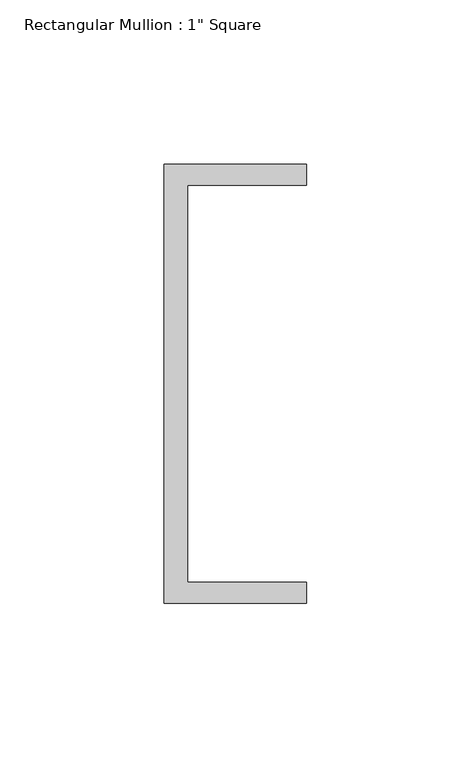
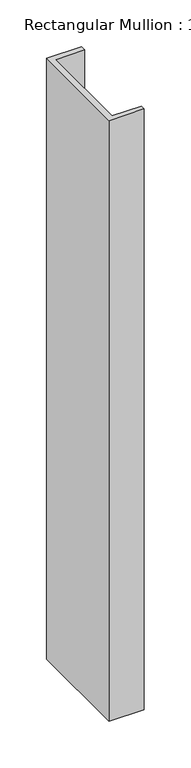
"""IFC4 building model written with IfcOpenShell, lengths in millimetres: member geometry."""

import ifcopenshell
import ifcopenshell.guid

model = None  # the IFC model being written
_history = None  # IfcOwnerHistory: only IFC2X3 demands one
_inside = {}  # id of a spatial element -> (the spatial element, [elements in it])
_under = {}  # id of a project, library or spatial element -> (it, [spatial elements below it])
_declared = {}  # id of a project -> (the project, [libraries it declares])
_typed = {}  # id of a type object -> (the type object, [elements of that type])
_made_of = {}  # id of a material, layer set ... -> (it, [elements and type objects made of it])


def new_model(schema):
    """Start an empty IFC model of exactly this schema.

    Asked for "IFC4X3", IfcOpenShell would pick the latest addendum, in which some entities
    have other attributes; the version numbers below select the first issue.
    IFC2X3 requires an IfcOwnerHistory on every rooted entity: one is made here for all.
    """
    global model, _history
    if schema == "IFC4X3":
        model = ifcopenshell.file(schema_version=(4, 3, 0, 0))
    else:
        model = ifcopenshell.file(schema=schema)
    _inside.clear()
    _under.clear()
    _declared.clear()
    _typed.clear()
    _made_of.clear()
    _history = None
    if model.schema == "IFC2X3":
        org = make("IfcOrganization", Name="unknown")
        user = make(
            "IfcPersonAndOrganization",
            ThePerson=make("IfcPerson", FamilyName="unknown"),
            TheOrganization=org,
        )
        app = make(
            "IfcApplication",
            ApplicationDeveloper=org,
            Version="unknown",
            ApplicationFullName="unknown",
            ApplicationIdentifier="unknown",
        )
        _history = make(
            "IfcOwnerHistory",
            OwningUser=user,
            OwningApplication=app,
            ChangeAction="ADDED",
            CreationDate=0,
        )
    return model


def make(cls, **values):
    """One entity of the class cls with the attributes given. An attribute that is None is left unset."""
    return model.create_entity(
        cls, **{name: value for name, value in values.items() if value is not None}
    )


def rooted(cls, **values):
    """An entity with a GlobalId (a new one), such as an element, a storey or a relation."""
    return make(cls, GlobalId=ifcopenshell.guid.new(), OwnerHistory=_history, **values)


def si_unit(unit_type, name, prefix=None):
    """IfcSIUnit, for example si_unit("LENGTHUNIT", "METRE", prefix="MILLI")."""
    return make("IfcSIUnit", UnitType=unit_type, Prefix=prefix, Name=name)


def assignment(units):
    """IfcUnitAssignment: the units of a project."""
    return None if units is None else make("IfcUnitAssignment", Units=units)


def point(xyz):
    """IfcCartesianPoint."""
    return None if xyz is None else make("IfcCartesianPoint", Coordinates=xyz)


def direction(xyz):
    """IfcDirection."""
    return None if xyz is None else make("IfcDirection", DirectionRatios=xyz)


def frame(location, z_axis=None, x_axis=None):
    """IfcAxis2Placement3D, a coordinate frame: its origin and axes. An axis left out is left unset."""
    return make(
        "IfcAxis2Placement3D",
        Location=point(location),
        Axis=direction(z_axis),
        RefDirection=direction(x_axis),
    )


def origin():
    """The frame at (0, 0, 0) with its axes left unset."""
    return frame((0.0, 0.0, 0.0))


def place(relative_to, where):
    """IfcLocalPlacement: puts the frame where relative to a parent placement (None: the world)."""
    return make(
        "IfcLocalPlacement", PlacementRelTo=relative_to, RelativePlacement=where
    )


def context(
    kind, dimensions, precision=None, world=None, true_north=None, identifier=None
):
    """IfcGeometricRepresentationContext, for example the 3D "Model" context."""
    return make(
        "IfcGeometricRepresentationContext",
        ContextIdentifier=identifier,
        ContextType=kind,
        CoordinateSpaceDimension=dimensions,
        Precision=precision,
        WorldCoordinateSystem=world,
        TrueNorth=true_north,
    )


def project(units=None, contexts=None):
    """IfcProject with its units and contexts."""
    return rooted(
        "IfcProject",
        Name="project",
        RepresentationContexts=contexts,
        UnitsInContext=assignment(units),
    )


def spatial(cls, under=None, at=None, **own):
    """A site, building, storey or space (cls), placed at a placement, below another one or the project."""
    s = rooted(cls, ObjectPlacement=at, **own)
    if under is not None:
        _under.setdefault(under.id(), (under, []))[1].append(s)
    return s


def polyline(points):
    """IfcPolyline through the points."""
    return make("IfcPolyline", Points=[point(p) for p in points])


def outline(outer, holes=None, kind="AREA"):
    """IfcArbitraryClosedProfileDef: a profile drawn as a closed curve; with holes, ...WithVoids."""
    if holes is None:
        return make("IfcArbitraryClosedProfileDef", ProfileType=kind, OuterCurve=outer)
    return make(
        "IfcArbitraryProfileDefWithVoids",
        ProfileType=kind,
        OuterCurve=outer,
        InnerCurves=holes,
    )


def extrude(swept, where, along, depth):
    """IfcExtrudedAreaSolid: the profile swept, set in the frame where, extruded along a direction by depth."""
    return make(
        "IfcExtrudedAreaSolid",
        SweptArea=swept,
        Position=where,
        ExtrudedDirection=direction(along),
        Depth=depth,
    )


def shape(context_of_items, identifier, shape_type, items):
    """IfcShapeRepresentation: the items that make up one representation, for example the "Body"."""
    return make(
        "IfcShapeRepresentation",
        ContextOfItems=context_of_items,
        RepresentationIdentifier=identifier,
        RepresentationType=shape_type,
        Items=items,
    )


def source(mapping_origin, context_of_items, identifier, shape_type, items):
    """IfcRepresentationMap: a shape defined once, which mapped items show again and again."""
    return make(
        "IfcRepresentationMap",
        MappingOrigin=mapping_origin,
        MappedRepresentation=shape(context_of_items, identifier, shape_type, items),
    )


def transform(
    local_origin,
    x_axis=None,
    y_axis=None,
    z_axis=None,
    scale=None,
    scale2=None,
    scale3=None,
    uniform=True,
):
    """IfcCartesianTransformationOperator3D, or its non-uniform kind. x_axis, y_axis, z_axis: its Axis1, 2, 3."""
    if uniform:
        return make(
            "IfcCartesianTransformationOperator3D",
            Axis1=direction(x_axis),
            Axis2=direction(y_axis),
            LocalOrigin=point(local_origin),
            Scale=scale,
            Axis3=direction(z_axis),
        )
    return make(
        "IfcCartesianTransformationOperator3DnonUniform",
        Axis1=direction(x_axis),
        Axis2=direction(y_axis),
        LocalOrigin=point(local_origin),
        Scale=scale,
        Axis3=direction(z_axis),
        Scale2=scale2,
        Scale3=scale3,
    )


def mapped(mapping_source, mapping_target):
    """IfcMappedItem: shows the shape of a source again, moved by a transform."""
    return make(
        "IfcMappedItem", MappingSource=mapping_source, MappingTarget=mapping_target
    )


def made_of(thing, what):
    """Note that an element or type object is made of a material, layer set ...; save() writes the relation."""
    if what is not None:
        _made_of.setdefault(what.id(), (what, []))[1].append(thing)
    return thing


def element(
    cls,
    number,
    at=None,
    inside=None,
    cuts=None,
    type_object=None,
    material=None,
    context=None,
    identifier="Body",
    shape_type=None,
    held_by="IfcProductDefinitionShape",
    body=None,
    shapes=None,
    **own,
):
    """One element of the class cls, such as IfcWall. Its Tag is "e" and its number.

    at: its placement. inside: the storey or other place that contains it. cuts: it is an
    opening in that element (IfcRelVoidsElement). A single representation is given by context,
    identifier, shape_type and body (its items); several are given by shapes. held_by: the class
    of the entity that holds the representations. save() writes the other relations.
    """
    e = rooted(cls, Tag="e%d" % number, ObjectPlacement=at, **own)
    if body is not None:
        shapes = [shape(context, identifier, shape_type, body)]
    if shapes is not None:
        e.Representation = make(held_by, Representations=shapes)
    if inside is not None:
        _inside.setdefault(inside.id(), (inside, []))[1].append(e)
    if cuts is not None:
        rooted(
            "IfcRelVoidsElement", RelatingBuildingElement=cuts, RelatedOpeningElement=e
        )
    if type_object is not None:
        _typed.setdefault(type_object.id(), (type_object, []))[1].append(e)
    return made_of(e, material)


def aggregate(whole, parts):
    """IfcRelAggregates: a whole, such as a stair, and the parts it consists of."""
    return rooted("IfcRelAggregates", RelatingObject=whole, RelatedObjects=parts)


def save(model, path):
    """Write the relations noted so far, then the file.

    IfcRelAggregates (storeys below a building ...), IfcRelContainedInSpatialStructure (elements
    in a storey), IfcRelDefinesByType, IfcRelAssociatesMaterial and IfcRelDeclares: one each for
    every whole, place, type object, material and project.
    """
    for whole, parts in _under.values():
        aggregate(whole, parts)
    for where, things in _inside.values():
        rooted(
            "IfcRelContainedInSpatialStructure",
            RelatedElements=things,
            RelatingStructure=where,
        )
    for kind, things in _typed.values():
        rooted("IfcRelDefinesByType", RelatedObjects=things, RelatingType=kind)
    for what, things in _made_of.values():
        rooted("IfcRelAssociatesMaterial", RelatedObjects=things, RelatingMaterial=what)
    for by, libraries in _declared.values():
        rooted("IfcRelDeclares", RelatingContext=by, RelatedDefinitions=libraries)
    model.write(path)


def member_cb76c9a0(model_context):
    return source(origin(), model_context, "Body", "SweptSolid", [
        extrude(outline(polyline([(-18.6549463, 135.2608739), (24.5675083, 135.2608739), (24.5675083, 128.9108739), (-11.6110886, 128.9108739), (-11.6110886, 8.2608739), (24.5675083, 8.2608739), (24.5675083, 1.9108739), (-18.6549463, 1.9108739), (-18.6549463, 135.2608739)])), frame((0.0, 0.0, -781.9507609), z_axis=(0.0, 0.0, 1.0), x_axis=(1.0, 0.0, 0.0)), (0.0, 0.0, 1.0), 781.9507609),
    ])


if __name__ == "__main__":
    model = new_model("IFC4")
    model_context = context("Model", 3, world=origin())
    ifc_project = project(units=[si_unit("LENGTHUNIT", "METRE", prefix="MILLI")], contexts=[model_context])
    site = spatial("IfcSite", under=ifc_project)
    building = spatial("IfcBuilding", under=site)
    placement = place(None, origin())
    member_shape = member_cb76c9a0(model_context)
    element("IfcMember", 1, ObjectType="Rectangular Mullion : 1\" Square", at=placement, inside=building, context=model_context, shape_type="MappedRepresentation", body=[
        mapped(member_shape, transform((0.0, 0.0, 0.0), x_axis=(1.0, 0.0, 0.0), y_axis=(0.0, 1.0, 0.0), z_axis=(0.0, 0.0, 1.0))),
    ])
    save(model, "model.ifc")
